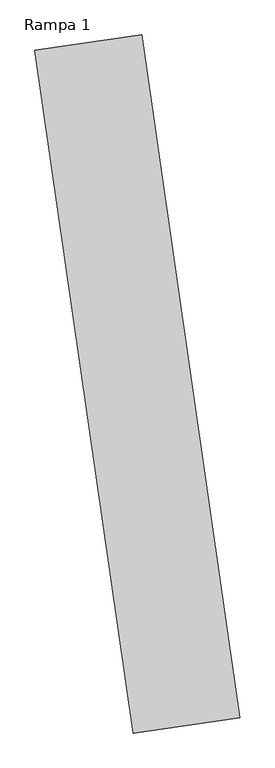
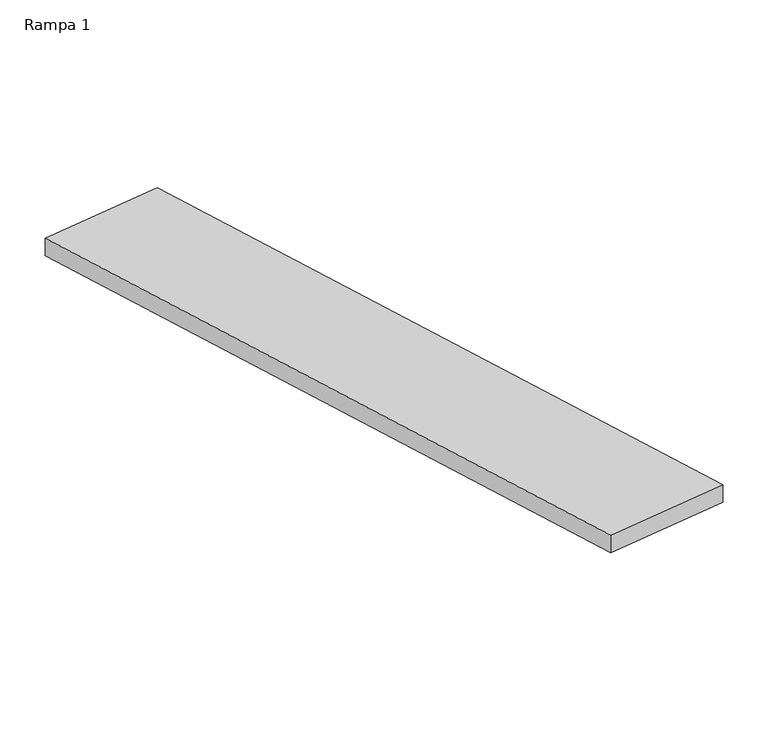
"""IFC4 building model written with IfcOpenShell, lengths in millimetres: ramp geometry, Rampa 1."""

from ifc_helpers import new_model, si_unit, frame, origin, place, context, project, spatial, polyline, outline, extrude, source, transform, mapped, element, save


def rampa_1_d236c98b(model_context):
    return source(origin(), model_context, "Body", "SweptSolid", [
        extrude(outline(polyline([(-984.6153846, -6400.0), (0.0, 0.0), (151.7647666, 0.0), (-832.850618, -6400.0), (-984.6153846, -6400.0)])), frame((-24616.5448719, 41187.9860061, 2950.0), z_axis=(0.9897855573920309, 0.14256419739242684, 0.0), x_axis=(0.0, 0.0, -1.0)), (0.0, 0.0, 1.0), 1000.0),
    ])


if __name__ == "__main__":
    model = new_model("IFC4")
    model_context = context("Model", 3, world=origin())
    ifc_project = project(units=[si_unit("LENGTHUNIT", "METRE", prefix="MILLI")], contexts=[model_context])
    site = spatial("IfcSite", under=ifc_project)
    building = spatial("IfcBuilding", under=site)
    placement = place(None, origin())
    rampa_1_shape = rampa_1_d236c98b(model_context)
    element("IfcRamp", 1, ObjectType="Rampa 1", at=placement, inside=building, context=model_context, shape_type="MappedRepresentation", body=[
        mapped(rampa_1_shape, transform((0.0, 0.0, 0.0), x_axis=(1.0, 0.0, 0.0), y_axis=(0.0, 1.0, 0.0), z_axis=(0.0, 0.0, 1.0))),
    ])
    save(model, "model.ifc")
